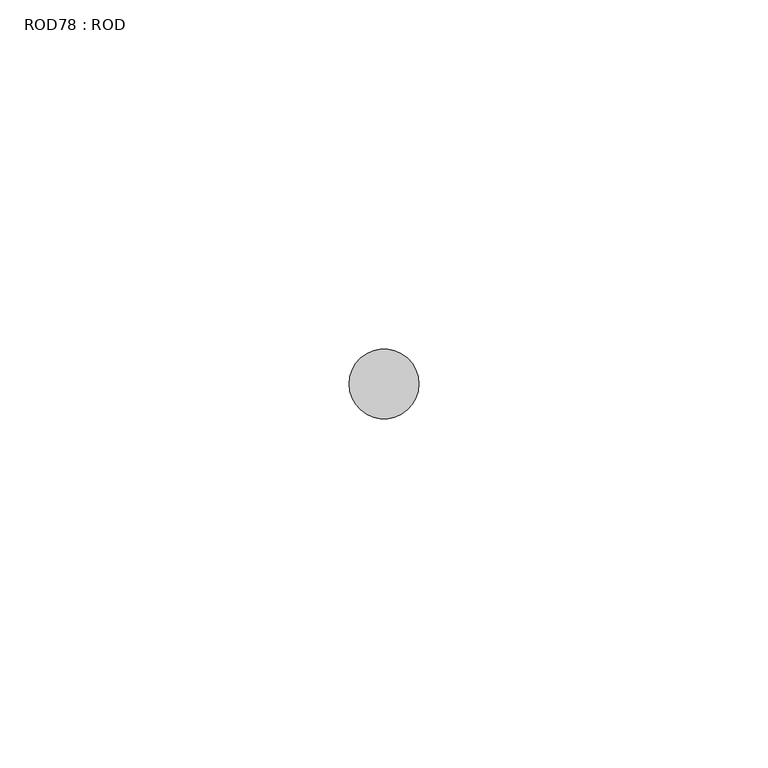
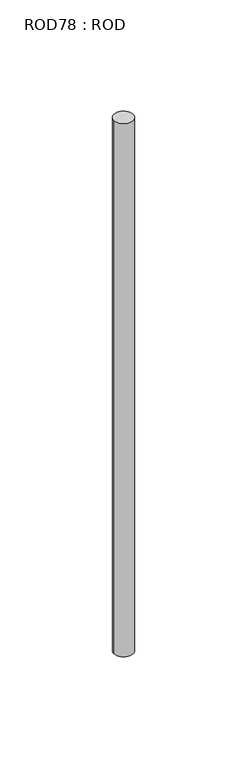
"""IFC4 building model written with IfcOpenShell, lengths in millimetres: proxy geometry, ROD78 : ROD."""

from ifc_helpers import new_model, si_unit, point, frame, frame_2d, origin, place, context, project, spatial, circle_curve, trimmed, segment, composite_curve, outline, extrude, source, transform, mapped, element, save


def rod78_rod_383ec51c(model_context):
    return source(origin(), model_context, "Body", "SweptSolid", [
        extrude(outline(composite_curve([segment(trimmed(circle_curve(frame_2d((7499.7673324, -10466.6028424)), 5.0), [point((7494.7673324, -10466.6028424))], [point((7504.7673324, -10466.6028424))], False, "CARTESIAN"), True, "CONTINUOUS"), segment(trimmed(circle_curve(frame_2d((7499.7673324, -10466.6028424)), 5.0), [point((7504.7673324, -10466.6028424))], [point((7494.7673324, -10466.6028424))], False, "CARTESIAN"), True, "CONTINUOUS")], self_intersect=False)), frame((0.0, 0.0, -108.6608845), z_axis=(0.0, 0.0, 1.0), x_axis=(1.0, 0.0, 0.0)), (0.0, 0.0, 1.0), 298.9028972),
    ])


if __name__ == "__main__":
    model = new_model("IFC4")
    model_context = context("Model", 3, world=origin())
    ifc_project = project(units=[si_unit("LENGTHUNIT", "METRE", prefix="MILLI")], contexts=[model_context])
    site = spatial("IfcSite", under=ifc_project)
    building = spatial("IfcBuilding", under=site)
    placement = place(None, origin())
    rod78_rod_shape = rod78_rod_383ec51c(model_context)
    element("IfcBuildingElementProxy", 1, Name="ROD78 : ROD", ObjectType="ROD78 : ROD", at=placement, inside=building, context=model_context, shape_type="MappedRepresentation", body=[
        mapped(rod78_rod_shape, transform((0.0, 0.0, 0.0), x_axis=(1.0, 0.0, 0.0), y_axis=(0.0, 1.0, 0.0), z_axis=(0.0, 0.0, 1.0))),
    ])
    save(model, "model.ifc")
